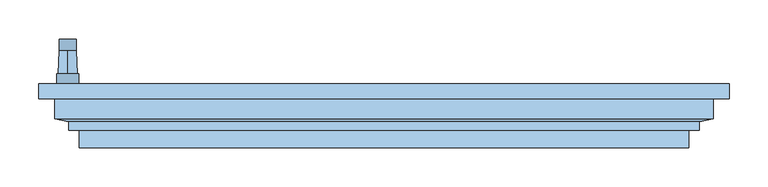
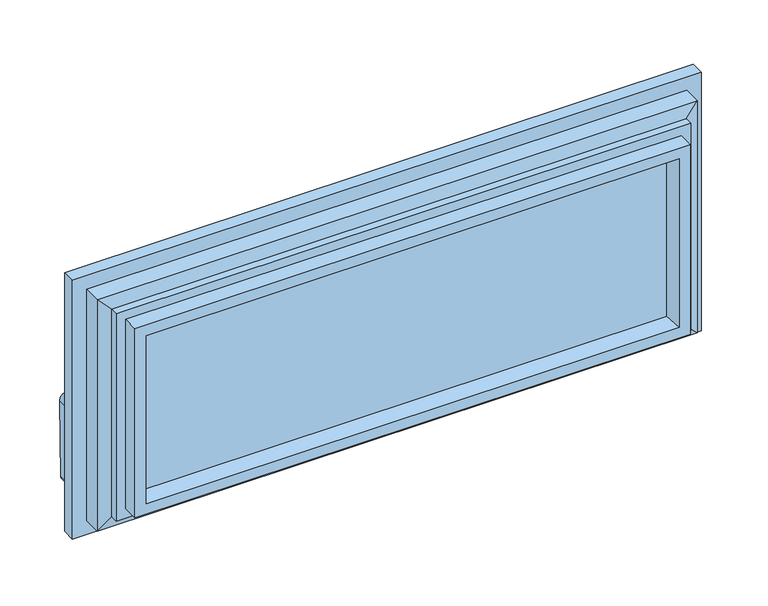
"""IFC4 building model written with IfcOpenShell, lengths in millimetres: window geometry."""

from ifc_helpers import new_model, si_unit, point, frame, frame_2d, origin, place, context, project, spatial, polyline, circle_curve, trimmed, segment, composite_curve, outline, extrude, faceted_brep, source, transform, mapped, element, save
from ifc_brep_helpers import plane_surface, cylinder_surface, revolved_surface, advanced_brep


def window_74f15d6c(model_context):
    return source(origin(), model_context, "Body", "SolidModel", [
        advanced_brep(
        [(-391.2, 10.8, 220.2), (-391.2, 10.8, 184.8), (-419.8, 10.8, 184.8), (-419.8, 10.8, 220.2), (-405.5, 10.8, 190.5), (-405.5, 10.8, 214.5), (-391.2, -2.0, 220.2), (-419.8, -2.0, 220.2), (-419.8, -2.0, 184.8), (-391.2, -2.0, 184.8), (-405.5, 40.5837804, 213.45), (-405.5, 40.5837804, 191.55)],
        [
            (0, 1),
            (1, 2, circle_curve(frame((-405.5, 10.8, 184.8), z_axis=(0.0, 1.0, 0.0), x_axis=(-1.0, 0.0, 0.0)), 14.3)),
            (2, 3),
            (3, 0, circle_curve(frame((-405.5, 10.8, 220.2), z_axis=(0.0, 1.0, 0.0), x_axis=(-1.0, 0.0, 0.0)), 14.3)),
            (4, 5, circle_curve(frame((-405.5, 10.8, 202.5), z_axis=(0.0, -1.0, 0.0), x_axis=(0.0, 0.0, 1.0)), 12.0)),
            (5, 4, circle_curve(frame((-405.5, 10.8, 202.5), z_axis=(0.0, -1.0, 0.0), x_axis=(0.0, 0.0, -1.0)), 12.0)),
            (6, 7, circle_curve(frame((-405.5, -2.0, 220.2), z_axis=(0.0, -1.0, 0.0), x_axis=(-1.0, 0.0, 0.0)), 14.3)),
            (7, 8),
            (8, 9, circle_curve(frame((-405.5, -2.0, 184.8), z_axis=(0.0, -1.0, 0.0), x_axis=(-1.0, 0.0, 0.0)), 14.3)),
            (9, 6),
            (0, 6),
            (9, 1),
            (8, 2),
            (7, 3),
            (10, 11, circle_curve(frame((-405.5, 40.5837804, 202.5), z_axis=(0.0, 1.0, 0.0), x_axis=(0.0, 0.0, 1.0)), 10.95)),
            (11, 10, circle_curve(frame((-405.5, 40.5837804, 202.5), z_axis=(0.0, 1.0, 0.0), x_axis=(0.0, 0.0, -1.0)), 10.95)),
            (10, 5),
            (4, 11),
        ],
        [
            plane_surface(frame((-391.2, 10.8, 220.2), z_axis=(0.0, 1.0, 0.0), x_axis=(0.0, 0.0, -1.0))),
            plane_surface(frame((-391.2, -2.0, 220.2), z_axis=(0.0, -1.0, 0.0), x_axis=(0.0, 0.0, 1.0))),
            plane_surface(frame((-391.2, 10.8, 220.2), z_axis=(1.0, 0.0, 0.0), x_axis=(0.0, -1.0, 0.0))),
            cylinder_surface(frame((-405.5, -2.0, 184.8), z_axis=(0.0, 1.0, 0.0), x_axis=(-1.0, 0.0, 0.0)), 14.3),
            plane_surface(frame((-419.8, 10.8, 184.8), z_axis=(-1.0, 0.0, 0.0), x_axis=(0.0, -1.0, 0.0))),
            cylinder_surface(frame((-405.5, -2.0, 220.2), z_axis=(0.0, 1.0, 0.0), x_axis=(-1.0, 0.0, 0.0)), 14.3),
            plane_surface(frame((-405.5, 40.5837804, 202.5), z_axis=(0.0, 1.0, 0.0), x_axis=(1.0, 0.0, 0.0))),
            revolved_surface(polyline([(-405.5, 40.58378040000002, 213.4500000002644), (-405.5, 10.800000000000011, 214.5)]), (-405.5, 351.1860618, 202.5), (0.0, -1.0, 0.0)),
            revolved_surface(polyline([(-405.5, 40.58378040000002, 191.5499999997356), (-405.5, 10.800000000000011, 190.5)]), (-405.5, 351.1860618, 202.5), (0.0, -1.0, 0.0)),
        ],
        [
            (0, [[1, 2, 3, 4], [5, 6]]),
            (1, [[7, 8, 9, 10]]),
            (2, [[-1, 11, -10, 12]]),
            (3, [[-2, -12, -9, 13]]),
            (4, [[-3, -13, -8, 14]]),
            (5, [[-4, -14, -7, -11]]),
            (6, [[15, 16]]),
            (7, [[-15, 17, -5, 18]]),
            (8, [[-16, -18, -6, -17]]),
        ],
    ),
        extrude(outline(composite_curve([segment(trimmed(circle_curve(frame_2d((89.5593058, -409.4580365)), 5.1186159), [point((89.5592661, -414.5766524))], [point((84.4406899, -409.4580365))], False, "CARTESIAN"), True, "CONTINUOUS"), segment(polyline([(84.4406899, -409.4580365), (84.4406899, -401.5419635)]), True, "CONTINUOUS"), segment(trimmed(circle_curve(frame_2d((89.5593058, -401.5419635)), 5.1186159), [point((84.4406899, -401.5419635))], [point((89.3895475, -396.4261634))], False, "CARTESIAN"), True, "CONTINUOUS"), segment(polyline([(89.3895475, -396.4261634), (202.5, -394.55)]), True, "CONTINUOUS"), segment(trimmed(circle_curve(frame_2d((202.5, -405.5)), 10.95), [point((202.5, -394.55))], [point((202.5, -416.45))], False, "CARTESIAN"), True, "CONTINUOUS"), segment(polyline([(202.5, -416.45), (89.5592661, -414.5766524)]), True, "CONTINUOUS")], self_intersect=False)), frame((0.0, 40.5837804, 0.0), z_axis=(0.0, 1.0, 0.0), x_axis=(0.0, 0.0, 1.0)), (0.0, 0.0, 1.0), 15.0),
        extrude(outline(polyline([(386.5, -23.0), (386.5, -27.0), (-386.5, -27.0), (-386.5, -23.0), (386.5, -23.0)])), frame((0.0, 0.0, 108.5), z_axis=(0.0, 0.0, 1.0), x_axis=(1.0, 0.0, 0.0)), (0.0, 0.0, 1.0), 273.0),
        extrude(outline(polyline([(386.5, -59.0), (386.5, -63.0), (-386.5, -63.0), (-386.5, -59.0), (386.5, -59.0)])), frame((0.0, 0.0, 108.5), z_axis=(0.0, 0.0, 1.0), x_axis=(1.0, 0.0, 0.0)), (0.0, 0.0, 1.0), 273.0),
        extrude(outline(polyline([(386.5, -41.0), (386.5, -45.0), (-386.5, -45.0), (-386.5, -41.0), (386.5, -41.0)])), frame((0.0, 0.0, 108.5), z_axis=(0.0, 0.0, 1.0), x_axis=(1.0, 0.0, 0.0)), (0.0, 0.0, 1.0), 273.0),
        faceted_brep([(422.5, -21.0, 417.5), (422.5, -46.45, 417.5), (422.5, -46.45, 72.5), (422.5, -21.0, 72.5), (442.5, -2.0, 437.5), (442.5, -21.0, 437.5), (442.5, -21.0, 52.5), (442.5, -2.0, 52.5), (370.3364776, -23.0, 365.3364776), (359.6599742, -2.0, 354.6599742), (359.6599742, -2.0, 135.3400258), (370.3364776, -23.0, 124.6635224), (386.5, -63.0, 381.5), (386.5, -23.0, 381.5), (386.5, -23.0, 108.5), (386.5, -63.0, 108.5), (375.1595631, -84.0, 370.1595631), (369.53263, -63.0, 364.53263), (369.53263, -63.0, 125.46737), (375.1595631, -84.0, 119.8404369), (390.9018435, -84.0, 385.9018435), (390.9018435, -84.0, 104.0981565), (390.9018435, -61.5, 104.0981565), (390.9018435, -61.5, 385.9018435), (404.3518435, -50.6, 399.3518435), (404.3518435, -61.5, 399.3518435), (404.3518435, -61.5, 90.6481565), (404.3518435, -50.6, 90.6481565), (-422.5, -46.45, 72.5), (-422.5, -21.0, 72.5), (-442.5, -21.0, 52.5), (-442.5, -2.0, 52.5), (-359.6599742, -2.0, 135.3400258), (-370.3364776, -23.0, 124.6635224), (-386.5, -23.0, 108.5), (-386.5, -63.0, 108.5), (-369.53263, -63.0, 125.46737), (-375.1595631, -84.0, 119.8404369), (-390.9018435, -84.0, 104.0981565), (-390.9018435, -61.5, 104.0981565), (-404.3518435, -61.5, 90.6481565), (-404.3518435, -50.6, 90.6481565), (-422.5, -46.45, 417.5), (-422.5, -21.0, 417.5), (-442.5, -21.0, 437.5), (-442.5, -2.0, 437.5), (-359.6599742, -2.0, 354.6599742), (-370.3364776, -23.0, 365.3364776), (-386.5, -23.0, 381.5), (-386.5, -63.0, 381.5), (-369.53263, -63.0, 364.53263), (-375.1595631, -84.0, 370.1595631), (-390.9018435, -84.0, 385.9018435), (-390.9018435, -61.5, 385.9018435), (-404.3518435, -61.5, 399.3518435), (-404.3518435, -50.6, 399.3518435)], [[[0, 1, 2, 3]], [[4, 5, 6, 7]], [[8, 9, 10, 11]], [[12, 13, 14, 15]], [[16, 17, 18, 19]], [[20, 21, 22, 23]], [[24, 25, 26, 27]], [[1, 24, 27, 2]], [[3, 2, 28, 29]], [[7, 6, 30, 31]], [[11, 10, 32, 33]], [[15, 14, 34, 35]], [[19, 18, 36, 37]], [[22, 21, 38, 39]], [[27, 26, 40, 41]], [[2, 27, 41, 28]], [[29, 28, 42, 43]], [[31, 30, 44, 45]], [[33, 32, 46, 47]], [[35, 34, 48, 49]], [[37, 36, 50, 51]], [[39, 38, 52, 53]], [[41, 40, 54, 55]], [[28, 41, 55, 42]], [[43, 42, 1, 0]], [[5, 44, 30, 6], [3, 29, 43, 0]], [[45, 44, 5, 4]], [[7, 31, 45, 4], [9, 46, 32, 10]], [[47, 46, 9, 8]], [[13, 48, 34, 14], [11, 33, 47, 8]], [[49, 48, 13, 12]], [[15, 35, 49, 12], [17, 50, 36, 18]], [[51, 50, 17, 16]], [[20, 52, 38, 21], [19, 37, 51, 16]], [[53, 52, 20, 23]], [[25, 54, 40, 26], [22, 39, 53, 23]], [[55, 54, 25, 24]], [[42, 55, 24, 1]]]),
    ])


if __name__ == "__main__":
    model = new_model("IFC4")
    model_context = context("Model", 3, world=origin())
    ifc_project = project(units=[si_unit("LENGTHUNIT", "METRE", prefix="MILLI")], contexts=[model_context])
    site = spatial("IfcSite", under=ifc_project)
    building = spatial("IfcBuilding", under=site)
    placement = place(None, origin())
    window_shape = window_74f15d6c(model_context)
    element("IfcWindow", 1, at=placement, inside=building, context=model_context, shape_type="MappedRepresentation", body=[
        mapped(window_shape, transform((0.0, 0.0, 0.0), x_axis=(1.0, 0.0, 0.0), y_axis=(0.0, 1.0, 0.0), z_axis=(0.0, 0.0, 1.0))),
    ])
    save(model, "model.ifc")
